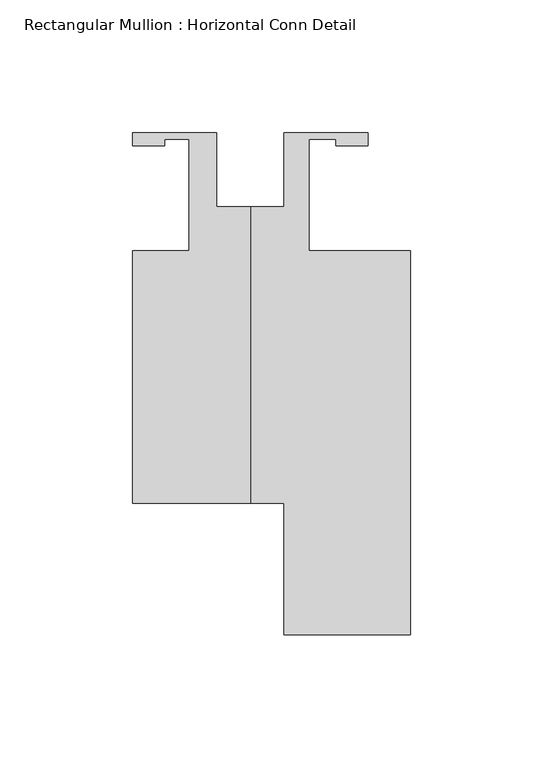
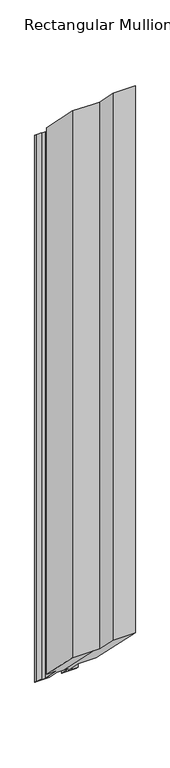
"""IFC4 building model written with IfcOpenShell, lengths in millimetres: member geometry, Rectangular Mullion : Horizontal Conn Detail."""

from ifc_helpers import new_model, si_unit, origin, place, context, project, spatial, faceted_brep, source, transform, mapped, element, save


def rectangular_mullion_horizontal_conn_detail_2594062d(model_context):
    return source(origin(), model_context, "Body", "Brep", [
        faceted_brep([(-44.45, -114.3, 141.2875), (-44.45, -19.05, 46.0375), (-44.45, -19.05, -1183.1548164), (-44.45, -114.3, -1087.9048164), (12.7, -114.3, 141.2875), (0.0, -114.3, 141.2875), (0.0, -114.3, -1087.9048164), (12.7, -114.3, -1087.9048164), (12.7, -163.9062, 190.8937), (12.7, -163.9062, -1038.2986164), (60.325, -163.9062, 190.8937), (60.325, -163.9062, -1038.2986164), (60.325, -19.05, 46.0375), (60.325, -19.05, -1183.1548164), (22.225, -19.05, 46.0375), (22.225, -19.05, -1183.1548164), (22.225, 22.86, 4.1275), (22.225, 22.86, -1225.0648164), (32.3596, 22.86, 4.1275), (32.3596, 22.86, -1225.0648164), (32.3596, 20.5232, 6.4643), (32.3596, 20.5232, -1222.7280164), (44.45, 20.5232, 6.4643), (44.45, 20.5232, -1222.7280164), (44.45, 25.4, 1.5875), (44.45, 25.4, -1227.6048164), (12.7, 25.4, 1.5875), (12.7, 25.4, -1227.6048164), (12.7, -2.54, 29.5275), (12.7, -2.54, -1199.6648164), (-12.7, -2.54, 29.5275), (0.0, -2.54, 29.5275), (0.0, -2.54, -1199.6648164), (-12.7, -2.54, -1199.6648164), (-12.7, 25.4, 1.5875), (-12.7, 25.4, -1227.6048164), (-44.45, 25.4, 1.5875), (-44.45, 25.4, -1227.6048164), (-44.45, 20.5232, 6.4643), (-44.45, 20.5232, -1222.7280164), (-32.3676573, 20.5232, 6.4643), (-32.3676573, 20.5232, -1222.7280164), (-32.3676573, 22.9299069, 4.0575931), (-32.3676573, 22.9299069, -1225.1347233), (-23.1902, 22.9299069, 4.0575931), (-23.1902, 22.9299069, -1225.1347233), (-23.1902, -19.05, 46.0375), (-23.1902, -19.05, -1183.1548164)], [[[0, 1, 2, 3]], [[4, 5, 0, 3, 6, 7]], [[8, 4, 7, 9]], [[10, 8, 9, 11]], [[12, 10, 11, 13]], [[14, 12, 13, 15]], [[16, 14, 15, 17]], [[18, 16, 17, 19]], [[20, 18, 19, 21]], [[22, 20, 21, 23]], [[24, 22, 23, 25]], [[26, 24, 25, 27]], [[28, 26, 27, 29]], [[30, 31, 28, 29, 32, 33]], [[34, 30, 33, 35]], [[36, 34, 35, 37]], [[38, 36, 37, 39]], [[40, 38, 39, 41]], [[42, 40, 41, 43]], [[44, 42, 43, 45]], [[46, 44, 45, 47]], [[1, 46, 47, 2]], [[1, 0, 5, 31, 30, 34, 36, 38, 40, 42, 44, 46]], [[5, 4, 8, 10, 12, 14, 16, 18, 20, 22, 24, 26, 28, 31]], [[2, 47, 45, 43, 41, 39, 37, 35, 33, 32, 6, 3]], [[32, 29, 27, 25, 23, 21, 19, 17, 15, 13, 11, 9, 7, 6]]]),
    ])


if __name__ == "__main__":
    model = new_model("IFC4")
    model_context = context("Model", 3, world=origin())
    ifc_project = project(units=[si_unit("LENGTHUNIT", "METRE", prefix="MILLI")], contexts=[model_context])
    site = spatial("IfcSite", under=ifc_project)
    building = spatial("IfcBuilding", under=site)
    placement = place(None, origin())
    rectangular_mullion_horizontal_conn_detail_shape = rectangular_mullion_horizontal_conn_detail_2594062d(model_context)
    element("IfcMember", 1, ObjectType="Rectangular Mullion : Horizontal Conn Detail", at=placement, inside=building, context=model_context, shape_type="MappedRepresentation", body=[
        mapped(rectangular_mullion_horizontal_conn_detail_shape, transform((0.0, 0.0, 0.0), x_axis=(1.0, 0.0, 0.0), y_axis=(0.0, 1.0, 0.0), z_axis=(0.0, 0.0, 1.0))),
    ])
    save(model, "model.ifc")
